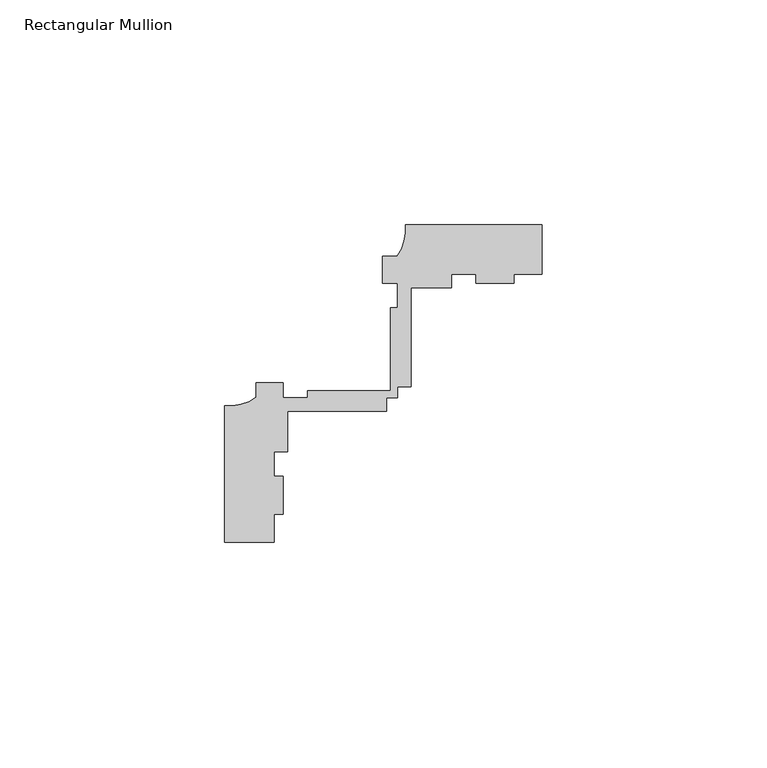
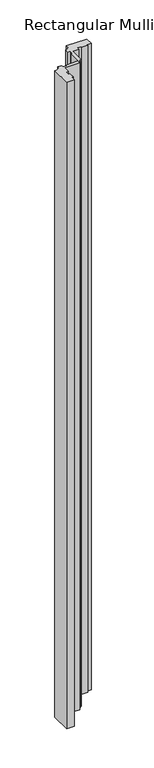
"""IFC4 building model written with IfcOpenShell, lengths in millimetres: member geometry, Rectangular Mullion."""

from ifc_helpers import new_model, si_unit, point, frame, frame_2d, origin, place, context, project, spatial, polyline, circle_curve, trimmed, segment, composite_curve, outline, extrude, source, transform, mapped, element, save


def rectangular_mullion_10799a0b(model_context):
    return source(origin(), model_context, "Body", "SweptSolid", [
        extrude(outline(composite_curve([segment(polyline([(-59.6999694, -14.9961656), (-70.6999537, -14.9961656), (-70.6999537, 15.3835857)]), True, "CONTINUOUS"), segment(trimmed(circle_curve(frame_2d((-69.8097713, 25.8020156)), 10.4563907), [point((-70.6999537, 15.3835857))], [point((-63.6999537, 17.3163669))], True, "CARTESIAN"), True, "CONTINUOUS"), segment(polyline([(-63.6999537, 17.3163669), (-63.6999537, 20.5038344), (-57.699937, 20.5038344), (-57.699937, 17.2186203), (-52.2108408, 17.2186203), (-52.2108408, 18.8186203), (-33.8147859, 18.8186203), (-33.8147859, 37.2186203), (-32.2147859, 37.2186203), (-32.2147859, 42.703773), (-35.5, 42.703773), (-35.5, 48.7038038), (-32.3125212, 48.7038038)]), True, "CONTINUOUS"), segment(trimmed(circle_curve(frame_2d((-40.7981812, 54.8136057)), 10.4563907), [point((-32.3125212, 48.7038038))], [point((-30.3797514, 55.703788))], True, "CARTESIAN"), True, "CONTINUOUS"), segment(polyline([(-30.3797514, 55.703788), (0.0, 55.703788), (0.0, 44.7038038), (-6.2499874, 44.7038038), (-6.2499874, 42.703773), (-14.7499877, 42.703773), (-14.7499877, 44.7038038), (-20.2147859, 44.7038038), (-20.2147859, 41.6998587), (-29.2147859, 41.6998587), (-29.2147859, 19.6998587), (-32.2147859, 19.6998587), (-32.2147859, 17.2186203), (-34.6960243, 17.2186203), (-34.6960243, 14.2186203), (-56.6960243, 14.2186203), (-56.6960243, 5.2186203), (-59.6999694, 5.2186203), (-59.6999694, -0.246178), (-57.699937, -0.246178), (-57.699937, -8.7363231), (-59.6999694, -8.7363231), (-59.6999694, -14.9961656)]), True, "CONTINUOUS")], self_intersect=False)), frame((0.0, 0.0, -1010.8287902), z_axis=(0.0, 0.0, 1.0), x_axis=(1.0, 0.0, 0.0)), (0.0, 0.0, 1.0), 1010.8287902),
    ])


if __name__ == "__main__":
    model = new_model("IFC4")
    model_context = context("Model", 3, world=origin())
    ifc_project = project(units=[si_unit("LENGTHUNIT", "METRE", prefix="MILLI")], contexts=[model_context])
    site = spatial("IfcSite", under=ifc_project)
    building = spatial("IfcBuilding", under=site)
    placement = place(None, origin())
    rectangular_mullion_shape = rectangular_mullion_10799a0b(model_context)
    element("IfcMember", 1, ObjectType="Rectangular Mullion", at=placement, inside=building, context=model_context, shape_type="MappedRepresentation", body=[
        mapped(rectangular_mullion_shape, transform((0.0, 0.0, 0.0), x_axis=(1.0, 0.0, 0.0), y_axis=(0.0, 1.0, 0.0), z_axis=(0.0, 0.0, 1.0))),
    ])
    save(model, "model.ifc")
